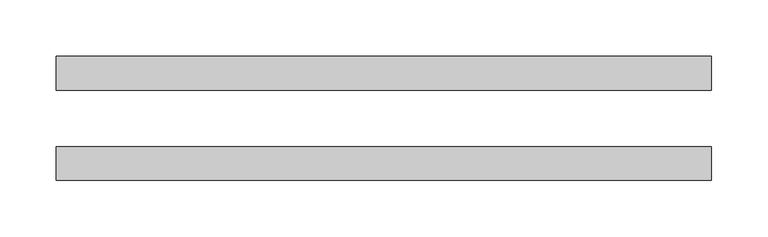
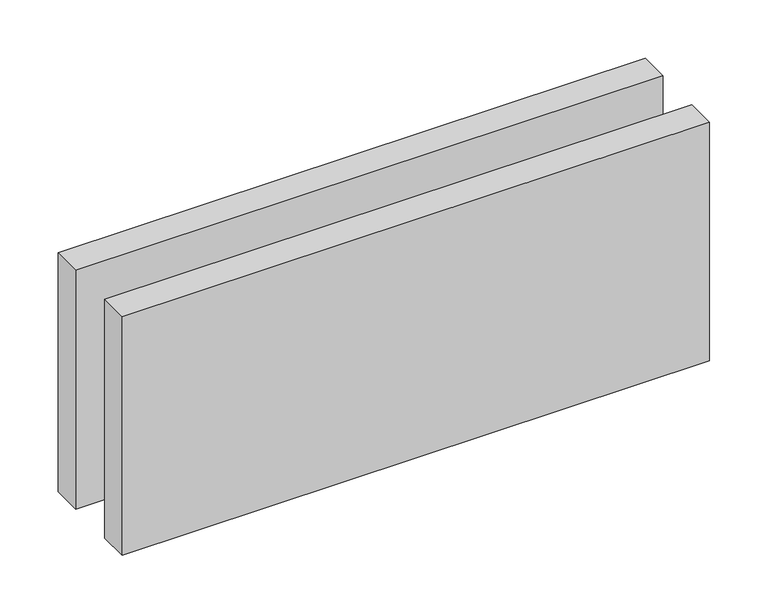
"""IFC4 building model written with IfcOpenShell, lengths in millimetres: proxy geometry."""

from ifc_helpers import new_model, si_unit, origin, origin_with_axes, place, context, project, spatial, polyline, outline, extrude, source, transform, mapped, element, save


def generic_models_d215aec4(model_context):
    return source(origin(), model_context, "Body", "SweptSolid", [
        extrude(outline(polyline([(581.279818, 25.0), (0.0, 25.0), (0.0, 55.0), (581.279818, 55.0), (581.279818, 25.0)])), origin_with_axes(), (0.0, 0.0, 1.0), 250.0),
        extrude(outline(polyline([(581.279818, -55.0), (0.0, -55.0), (0.0, -25.0), (581.279818, -25.0), (581.279818, -55.0)])), origin_with_axes(), (0.0, 0.0, 1.0), 250.0),
    ])


if __name__ == "__main__":
    model = new_model("IFC4")
    model_context = context("Model", 3, world=origin())
    ifc_project = project(units=[si_unit("LENGTHUNIT", "METRE", prefix="MILLI")], contexts=[model_context])
    site = spatial("IfcSite", under=ifc_project)
    building = spatial("IfcBuilding", under=site)
    placement = place(None, origin())
    generic_models_shape = generic_models_d215aec4(model_context)
    element("IfcBuildingElementProxy", 1, Name="Generic Models", at=placement, inside=building, context=model_context, shape_type="MappedRepresentation", body=[
        mapped(generic_models_shape, transform((0.0, 0.0, 0.0), x_axis=(1.0, 0.0, 0.0), y_axis=(0.0, 1.0, 0.0), z_axis=(0.0, 0.0, 1.0))),
    ])
    save(model, "model.ifc")
